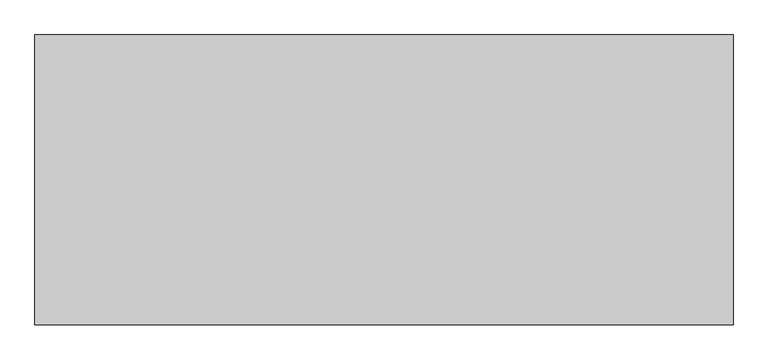
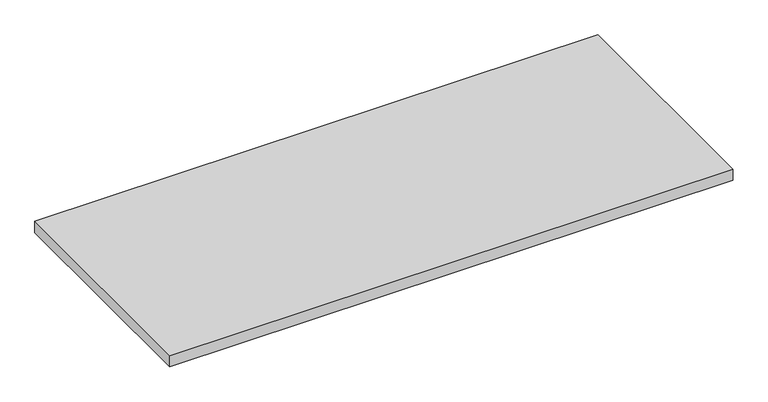
"""IFC4 building model written with IfcOpenShell, lengths in millimetres: furniture geometry."""

from ifc_helpers import new_model, si_unit, frame, origin, place, context, project, spatial, polyline, outline, extrude, source, transform, mapped, element, save


def furniture_ae8e316d(model_context):
    return source(origin(), model_context, "Body", "SweptSolid", [
        extrude(outline(polyline([(1217.5998, -548.7539634), (1217.5998, -1053.7059634), (1.6002, -1053.7059634), (1.6002, -548.7539634), (1217.5998, -548.7539634)])), frame((0.0, 0.0, 563.0672), z_axis=(0.0, 0.0, 1.0), x_axis=(1.0, 0.0, 0.0)), (0.0, 0.0, 1.0), 25.4),
    ])


if __name__ == "__main__":
    model = new_model("IFC4")
    model_context = context("Model", 3, world=origin())
    ifc_project = project(units=[si_unit("LENGTHUNIT", "METRE", prefix="MILLI")], contexts=[model_context])
    site = spatial("IfcSite", under=ifc_project)
    building = spatial("IfcBuilding", under=site)
    placement = place(None, origin())
    furniture_shape = furniture_ae8e316d(model_context)
    element("IfcFurniture", 1, at=placement, inside=building, context=model_context, shape_type="MappedRepresentation", body=[
        mapped(furniture_shape, transform((0.0, 0.0, 0.0), x_axis=(1.0, 0.0, 0.0), y_axis=(0.0, 1.0, 0.0), z_axis=(0.0, 0.0, 1.0))),
    ])
    save(model, "model.ifc")
